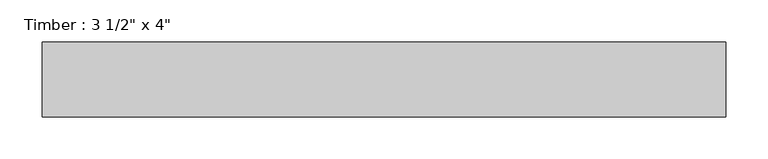
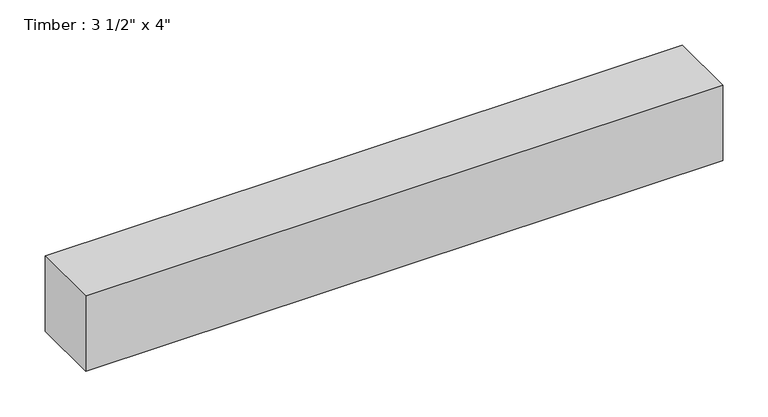
"""IFC4 building model written with IfcOpenShell, lengths in millimetres: beam geometry."""

import ifcopenshell
import ifcopenshell.guid

model = None  # the IFC model being written
_history = None  # IfcOwnerHistory: only IFC2X3 demands one
_inside = {}  # id of a spatial element -> (the spatial element, [elements in it])
_under = {}  # id of a project, library or spatial element -> (it, [spatial elements below it])
_declared = {}  # id of a project -> (the project, [libraries it declares])
_typed = {}  # id of a type object -> (the type object, [elements of that type])
_made_of = {}  # id of a material, layer set ... -> (it, [elements and type objects made of it])


def new_model(schema):
    """Start an empty IFC model of exactly this schema.

    Asked for "IFC4X3", IfcOpenShell would pick the latest addendum, in which some entities
    have other attributes; the version numbers below select the first issue.
    IFC2X3 requires an IfcOwnerHistory on every rooted entity: one is made here for all.
    """
    global model, _history
    if schema == "IFC4X3":
        model = ifcopenshell.file(schema_version=(4, 3, 0, 0))
    else:
        model = ifcopenshell.file(schema=schema)
    _inside.clear()
    _under.clear()
    _declared.clear()
    _typed.clear()
    _made_of.clear()
    _history = None
    if model.schema == "IFC2X3":
        org = make("IfcOrganization", Name="unknown")
        user = make(
            "IfcPersonAndOrganization",
            ThePerson=make("IfcPerson", FamilyName="unknown"),
            TheOrganization=org,
        )
        app = make(
            "IfcApplication",
            ApplicationDeveloper=org,
            Version="unknown",
            ApplicationFullName="unknown",
            ApplicationIdentifier="unknown",
        )
        _history = make(
            "IfcOwnerHistory",
            OwningUser=user,
            OwningApplication=app,
            ChangeAction="ADDED",
            CreationDate=0,
        )
    return model


def make(cls, **values):
    """One entity of the class cls with the attributes given. An attribute that is None is left unset."""
    return model.create_entity(
        cls, **{name: value for name, value in values.items() if value is not None}
    )


def rooted(cls, **values):
    """An entity with a GlobalId (a new one), such as an element, a storey or a relation."""
    return make(cls, GlobalId=ifcopenshell.guid.new(), OwnerHistory=_history, **values)


def si_unit(unit_type, name, prefix=None):
    """IfcSIUnit, for example si_unit("LENGTHUNIT", "METRE", prefix="MILLI")."""
    return make("IfcSIUnit", UnitType=unit_type, Prefix=prefix, Name=name)


def assignment(units):
    """IfcUnitAssignment: the units of a project."""
    return None if units is None else make("IfcUnitAssignment", Units=units)


def point(xyz):
    """IfcCartesianPoint."""
    return None if xyz is None else make("IfcCartesianPoint", Coordinates=xyz)


def direction(xyz):
    """IfcDirection."""
    return None if xyz is None else make("IfcDirection", DirectionRatios=xyz)


def frame(location, z_axis=None, x_axis=None):
    """IfcAxis2Placement3D, a coordinate frame: its origin and axes. An axis left out is left unset."""
    return make(
        "IfcAxis2Placement3D",
        Location=point(location),
        Axis=direction(z_axis),
        RefDirection=direction(x_axis),
    )


def origin():
    """The frame at (0, 0, 0) with its axes left unset."""
    return frame((0.0, 0.0, 0.0))


def place(relative_to, where):
    """IfcLocalPlacement: puts the frame where relative to a parent placement (None: the world)."""
    return make(
        "IfcLocalPlacement", PlacementRelTo=relative_to, RelativePlacement=where
    )


def context(
    kind, dimensions, precision=None, world=None, true_north=None, identifier=None
):
    """IfcGeometricRepresentationContext, for example the 3D "Model" context."""
    return make(
        "IfcGeometricRepresentationContext",
        ContextIdentifier=identifier,
        ContextType=kind,
        CoordinateSpaceDimension=dimensions,
        Precision=precision,
        WorldCoordinateSystem=world,
        TrueNorth=true_north,
    )


def project(units=None, contexts=None):
    """IfcProject with its units and contexts."""
    return rooted(
        "IfcProject",
        Name="project",
        RepresentationContexts=contexts,
        UnitsInContext=assignment(units),
    )


def spatial(cls, under=None, at=None, **own):
    """A site, building, storey or space (cls), placed at a placement, below another one or the project."""
    s = rooted(cls, ObjectPlacement=at, **own)
    if under is not None:
        _under.setdefault(under.id(), (under, []))[1].append(s)
    return s


def polyline(points):
    """IfcPolyline through the points."""
    return make("IfcPolyline", Points=[point(p) for p in points])


def outline(outer, holes=None, kind="AREA"):
    """IfcArbitraryClosedProfileDef: a profile drawn as a closed curve; with holes, ...WithVoids."""
    if holes is None:
        return make("IfcArbitraryClosedProfileDef", ProfileType=kind, OuterCurve=outer)
    return make(
        "IfcArbitraryProfileDefWithVoids",
        ProfileType=kind,
        OuterCurve=outer,
        InnerCurves=holes,
    )


def extrude(swept, where, along, depth):
    """IfcExtrudedAreaSolid: the profile swept, set in the frame where, extruded along a direction by depth."""
    return make(
        "IfcExtrudedAreaSolid",
        SweptArea=swept,
        Position=where,
        ExtrudedDirection=direction(along),
        Depth=depth,
    )


def shape(context_of_items, identifier, shape_type, items):
    """IfcShapeRepresentation: the items that make up one representation, for example the "Body"."""
    return make(
        "IfcShapeRepresentation",
        ContextOfItems=context_of_items,
        RepresentationIdentifier=identifier,
        RepresentationType=shape_type,
        Items=items,
    )


def source(mapping_origin, context_of_items, identifier, shape_type, items):
    """IfcRepresentationMap: a shape defined once, which mapped items show again and again."""
    return make(
        "IfcRepresentationMap",
        MappingOrigin=mapping_origin,
        MappedRepresentation=shape(context_of_items, identifier, shape_type, items),
    )


def transform(
    local_origin,
    x_axis=None,
    y_axis=None,
    z_axis=None,
    scale=None,
    scale2=None,
    scale3=None,
    uniform=True,
):
    """IfcCartesianTransformationOperator3D, or its non-uniform kind. x_axis, y_axis, z_axis: its Axis1, 2, 3."""
    if uniform:
        return make(
            "IfcCartesianTransformationOperator3D",
            Axis1=direction(x_axis),
            Axis2=direction(y_axis),
            LocalOrigin=point(local_origin),
            Scale=scale,
            Axis3=direction(z_axis),
        )
    return make(
        "IfcCartesianTransformationOperator3DnonUniform",
        Axis1=direction(x_axis),
        Axis2=direction(y_axis),
        LocalOrigin=point(local_origin),
        Scale=scale,
        Axis3=direction(z_axis),
        Scale2=scale2,
        Scale3=scale3,
    )


def mapped(mapping_source, mapping_target):
    """IfcMappedItem: shows the shape of a source again, moved by a transform."""
    return make(
        "IfcMappedItem", MappingSource=mapping_source, MappingTarget=mapping_target
    )


def made_of(thing, what):
    """Note that an element or type object is made of a material, layer set ...; save() writes the relation."""
    if what is not None:
        _made_of.setdefault(what.id(), (what, []))[1].append(thing)
    return thing


def element(
    cls,
    number,
    at=None,
    inside=None,
    cuts=None,
    type_object=None,
    material=None,
    context=None,
    identifier="Body",
    shape_type=None,
    held_by="IfcProductDefinitionShape",
    body=None,
    shapes=None,
    **own,
):
    """One element of the class cls, such as IfcWall. Its Tag is "e" and its number.

    at: its placement. inside: the storey or other place that contains it. cuts: it is an
    opening in that element (IfcRelVoidsElement). A single representation is given by context,
    identifier, shape_type and body (its items); several are given by shapes. held_by: the class
    of the entity that holds the representations. save() writes the other relations.
    """
    e = rooted(cls, Tag="e%d" % number, ObjectPlacement=at, **own)
    if body is not None:
        shapes = [shape(context, identifier, shape_type, body)]
    if shapes is not None:
        e.Representation = make(held_by, Representations=shapes)
    if inside is not None:
        _inside.setdefault(inside.id(), (inside, []))[1].append(e)
    if cuts is not None:
        rooted(
            "IfcRelVoidsElement", RelatingBuildingElement=cuts, RelatedOpeningElement=e
        )
    if type_object is not None:
        _typed.setdefault(type_object.id(), (type_object, []))[1].append(e)
    return made_of(e, material)


def aggregate(whole, parts):
    """IfcRelAggregates: a whole, such as a stair, and the parts it consists of."""
    return rooted("IfcRelAggregates", RelatingObject=whole, RelatedObjects=parts)


def save(model, path):
    """Write the relations noted so far, then the file.

    IfcRelAggregates (storeys below a building ...), IfcRelContainedInSpatialStructure (elements
    in a storey), IfcRelDefinesByType, IfcRelAssociatesMaterial and IfcRelDeclares: one each for
    every whole, place, type object, material and project.
    """
    for whole, parts in _under.values():
        aggregate(whole, parts)
    for where, things in _inside.values():
        rooted(
            "IfcRelContainedInSpatialStructure",
            RelatedElements=things,
            RelatingStructure=where,
        )
    for kind, things in _typed.values():
        rooted("IfcRelDefinesByType", RelatedObjects=things, RelatingType=kind)
    for what, things in _made_of.values():
        rooted("IfcRelAssociatesMaterial", RelatedObjects=things, RelatingMaterial=what)
    for by, libraries in _declared.values():
        rooted("IfcRelDeclares", RelatingContext=by, RelatedDefinitions=libraries)
    model.write(path)


def beam_8082f28e(model_context):
    return source(origin(), model_context, "Body", "SweptSolid", [
        extrude(outline(polyline([(402.2964496, 44.45), (402.2964496, -44.45), (-408.6458191, -44.45), (-408.6458191, 44.45), (402.2964496, 44.45)])), frame((0.0, 0.0, -50.8), z_axis=(0.0, 0.0, 1.0), x_axis=(1.0, 0.0, 0.0)), (0.0, 0.0, 1.0), 101.6),
    ])


if __name__ == "__main__":
    model = new_model("IFC4")
    model_context = context("Model", 3, world=origin())
    ifc_project = project(units=[si_unit("LENGTHUNIT", "METRE", prefix="MILLI")], contexts=[model_context])
    site = spatial("IfcSite", under=ifc_project)
    building = spatial("IfcBuilding", under=site)
    placement = place(None, origin())
    beam_shape = beam_8082f28e(model_context)
    element("IfcBeam", 1, ObjectType="Timber : 3 1/2\" x 4\"", at=placement, inside=building, context=model_context, shape_type="MappedRepresentation", body=[
        mapped(beam_shape, transform((0.0, 0.0, 0.0), x_axis=(1.0, 0.0, 0.0), y_axis=(0.0, 1.0, 0.0), z_axis=(0.0, 0.0, 1.0))),
    ])
    save(model, "model.ifc")
